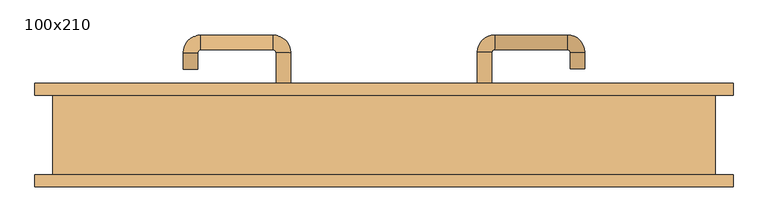
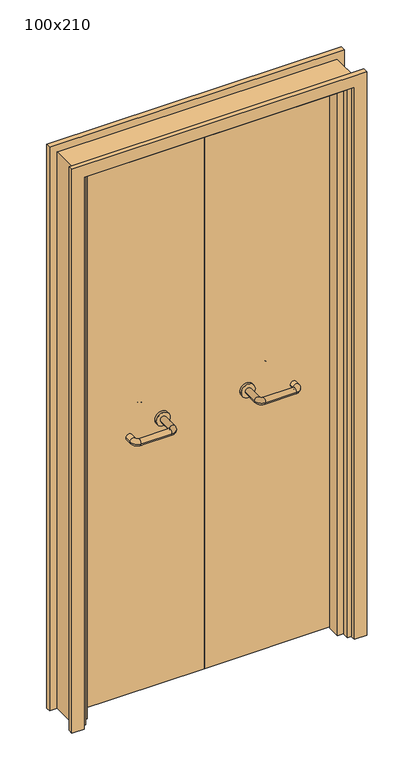
"""IFC4 building model written with IfcOpenShell, lengths in millimetres: door geometry, 100x210."""

import ifcopenshell
import ifcopenshell.guid

model = None  # the IFC model being written
_history = None  # IfcOwnerHistory: only IFC2X3 demands one
_inside = {}  # id of a spatial element -> (the spatial element, [elements in it])
_under = {}  # id of a project, library or spatial element -> (it, [spatial elements below it])
_declared = {}  # id of a project -> (the project, [libraries it declares])
_typed = {}  # id of a type object -> (the type object, [elements of that type])
_made_of = {}  # id of a material, layer set ... -> (it, [elements and type objects made of it])


def new_model(schema):
    """Start an empty IFC model of exactly this schema.

    Asked for "IFC4X3", IfcOpenShell would pick the latest addendum, in which some entities
    have other attributes; the version numbers below select the first issue.
    IFC2X3 requires an IfcOwnerHistory on every rooted entity: one is made here for all.
    """
    global model, _history
    if schema == "IFC4X3":
        model = ifcopenshell.file(schema_version=(4, 3, 0, 0))
    else:
        model = ifcopenshell.file(schema=schema)
    _inside.clear()
    _under.clear()
    _declared.clear()
    _typed.clear()
    _made_of.clear()
    _history = None
    if model.schema == "IFC2X3":
        org = make("IfcOrganization", Name="unknown")
        user = make(
            "IfcPersonAndOrganization",
            ThePerson=make("IfcPerson", FamilyName="unknown"),
            TheOrganization=org,
        )
        app = make(
            "IfcApplication",
            ApplicationDeveloper=org,
            Version="unknown",
            ApplicationFullName="unknown",
            ApplicationIdentifier="unknown",
        )
        _history = make(
            "IfcOwnerHistory",
            OwningUser=user,
            OwningApplication=app,
            ChangeAction="ADDED",
            CreationDate=0,
        )
    return model


def make(cls, **values):
    """One entity of the class cls with the attributes given. An attribute that is None is left unset."""
    return model.create_entity(
        cls, **{name: value for name, value in values.items() if value is not None}
    )


def rooted(cls, **values):
    """An entity with a GlobalId (a new one), such as an element, a storey or a relation."""
    return make(cls, GlobalId=ifcopenshell.guid.new(), OwnerHistory=_history, **values)


def si_unit(unit_type, name, prefix=None):
    """IfcSIUnit, for example si_unit("LENGTHUNIT", "METRE", prefix="MILLI")."""
    return make("IfcSIUnit", UnitType=unit_type, Prefix=prefix, Name=name)


def assignment(units):
    """IfcUnitAssignment: the units of a project."""
    return None if units is None else make("IfcUnitAssignment", Units=units)


def point(xyz):
    """IfcCartesianPoint."""
    return None if xyz is None else make("IfcCartesianPoint", Coordinates=xyz)


def direction(xyz):
    """IfcDirection."""
    return None if xyz is None else make("IfcDirection", DirectionRatios=xyz)


def frame(location, z_axis=None, x_axis=None):
    """IfcAxis2Placement3D, a coordinate frame: its origin and axes. An axis left out is left unset."""
    return make(
        "IfcAxis2Placement3D",
        Location=point(location),
        Axis=direction(z_axis),
        RefDirection=direction(x_axis),
    )


def frame_2d(location, x_axis=None):
    """IfcAxis2Placement2D, a coordinate frame in the plane: its origin and x axis."""
    return make(
        "IfcAxis2Placement2D", Location=point(location), RefDirection=direction(x_axis)
    )


def origin():
    """The frame at (0, 0, 0) with its axes left unset."""
    return frame((0.0, 0.0, 0.0))


def place(relative_to, where):
    """IfcLocalPlacement: puts the frame where relative to a parent placement (None: the world)."""
    return make(
        "IfcLocalPlacement", PlacementRelTo=relative_to, RelativePlacement=where
    )


def context(
    kind, dimensions, precision=None, world=None, true_north=None, identifier=None
):
    """IfcGeometricRepresentationContext, for example the 3D "Model" context."""
    return make(
        "IfcGeometricRepresentationContext",
        ContextIdentifier=identifier,
        ContextType=kind,
        CoordinateSpaceDimension=dimensions,
        Precision=precision,
        WorldCoordinateSystem=world,
        TrueNorth=true_north,
    )


def project(units=None, contexts=None):
    """IfcProject with its units and contexts."""
    return rooted(
        "IfcProject",
        Name="project",
        RepresentationContexts=contexts,
        UnitsInContext=assignment(units),
    )


def spatial(cls, under=None, at=None, **own):
    """A site, building, storey or space (cls), placed at a placement, below another one or the project."""
    s = rooted(cls, ObjectPlacement=at, **own)
    if under is not None:
        _under.setdefault(under.id(), (under, []))[1].append(s)
    return s


def polyline(points):
    """IfcPolyline through the points."""
    return make("IfcPolyline", Points=[point(p) for p in points])


def circle_curve(where, radius):
    """IfcCircle in the frame where."""
    return make("IfcCircle", Position=where, Radius=radius)


def ellipse_curve(where, semi_axis1, semi_axis2):
    """IfcEllipse in the frame where."""
    return make(
        "IfcEllipse", Position=where, SemiAxis1=semi_axis1, SemiAxis2=semi_axis2
    )


def trimmed(basis, trim1, trim2, sense, master):
    """IfcTrimmedCurve: the piece of a basis curve between two trims."""
    return make(
        "IfcTrimmedCurve",
        BasisCurve=basis,
        Trim1=trim1,
        Trim2=trim2,
        SenseAgreement=sense,
        MasterRepresentation=master,
    )


def segment(curve, same_sense, transition):
    """IfcCompositeCurveSegment."""
    return make(
        "IfcCompositeCurveSegment",
        Transition=transition,
        SameSense=same_sense,
        ParentCurve=curve,
    )


def composite_curve(segments, self_intersect=None):
    """IfcCompositeCurve: segments joined end to end."""
    return make("IfcCompositeCurve", Segments=segments, SelfIntersect=self_intersect)


def outline(outer, holes=None, kind="AREA"):
    """IfcArbitraryClosedProfileDef: a profile drawn as a closed curve; with holes, ...WithVoids."""
    if holes is None:
        return make("IfcArbitraryClosedProfileDef", ProfileType=kind, OuterCurve=outer)
    return make(
        "IfcArbitraryProfileDefWithVoids",
        ProfileType=kind,
        OuterCurve=outer,
        InnerCurves=holes,
    )


def extrude(swept, where, along, depth):
    """IfcExtrudedAreaSolid: the profile swept, set in the frame where, extruded along a direction by depth."""
    return make(
        "IfcExtrudedAreaSolid",
        SweptArea=swept,
        Position=where,
        ExtrudedDirection=direction(along),
        Depth=depth,
    )


def faces_of(points, faces, orient=None, outer=None):
    """IfcFace entities. A face is a list of loops; a loop is a list of indices into points, from 0.

    orient and outer hold one flag for each loop. By default every Orientation is true, the
    first loop of a face is its IfcFaceOuterBound and the others are IfcFaceBound.
    """
    made = []
    for i, loops in enumerate(faces):
        bounds = []
        for j, loop in enumerate(loops):
            is_outer = j == 0 if outer is None else outer[i][j]
            bounds.append(
                make(
                    "IfcFaceOuterBound" if is_outer else "IfcFaceBound",
                    Bound=make("IfcPolyLoop", Polygon=[points[k] for k in loop]),
                    Orientation=True if orient is None else orient[i][j],
                )
            )
        made.append(make("IfcFace", Bounds=bounds))
    return made


def faceted_brep(points, faces, orient=None, outer=None, voids=None):
    """IfcFacetedBrep: a solid bounded by flat faces; with voids (closed shells), ...WithVoids."""
    shared = [point(p) for p in points]
    hull = make("IfcClosedShell", CfsFaces=faces_of(shared, faces, orient, outer))
    if voids is None:
        return make("IfcFacetedBrep", Outer=hull)
    return make(
        "IfcFacetedBrepWithVoids",
        Outer=hull,
        Voids=[
            make(cls, CfsFaces=faces_of(shared, fs, o, b)) for cls, fs, o, b in voids
        ],
    )


def shape(context_of_items, identifier, shape_type, items):
    """IfcShapeRepresentation: the items that make up one representation, for example the "Body"."""
    return make(
        "IfcShapeRepresentation",
        ContextOfItems=context_of_items,
        RepresentationIdentifier=identifier,
        RepresentationType=shape_type,
        Items=items,
    )


def source(mapping_origin, context_of_items, identifier, shape_type, items):
    """IfcRepresentationMap: a shape defined once, which mapped items show again and again."""
    return make(
        "IfcRepresentationMap",
        MappingOrigin=mapping_origin,
        MappedRepresentation=shape(context_of_items, identifier, shape_type, items),
    )


def transform(
    local_origin,
    x_axis=None,
    y_axis=None,
    z_axis=None,
    scale=None,
    scale2=None,
    scale3=None,
    uniform=True,
):
    """IfcCartesianTransformationOperator3D, or its non-uniform kind. x_axis, y_axis, z_axis: its Axis1, 2, 3."""
    if uniform:
        return make(
            "IfcCartesianTransformationOperator3D",
            Axis1=direction(x_axis),
            Axis2=direction(y_axis),
            LocalOrigin=point(local_origin),
            Scale=scale,
            Axis3=direction(z_axis),
        )
    return make(
        "IfcCartesianTransformationOperator3DnonUniform",
        Axis1=direction(x_axis),
        Axis2=direction(y_axis),
        LocalOrigin=point(local_origin),
        Scale=scale,
        Axis3=direction(z_axis),
        Scale2=scale2,
        Scale3=scale3,
    )


def mapped(mapping_source, mapping_target):
    """IfcMappedItem: shows the shape of a source again, moved by a transform."""
    return make(
        "IfcMappedItem", MappingSource=mapping_source, MappingTarget=mapping_target
    )


def made_of(thing, what):
    """Note that an element or type object is made of a material, layer set ...; save() writes the relation."""
    if what is not None:
        _made_of.setdefault(what.id(), (what, []))[1].append(thing)
    return thing


def element(
    cls,
    number,
    at=None,
    inside=None,
    cuts=None,
    type_object=None,
    material=None,
    context=None,
    identifier="Body",
    shape_type=None,
    held_by="IfcProductDefinitionShape",
    body=None,
    shapes=None,
    **own,
):
    """One element of the class cls, such as IfcWall. Its Tag is "e" and its number.

    at: its placement. inside: the storey or other place that contains it. cuts: it is an
    opening in that element (IfcRelVoidsElement). A single representation is given by context,
    identifier, shape_type and body (its items); several are given by shapes. held_by: the class
    of the entity that holds the representations. save() writes the other relations.
    """
    e = rooted(cls, Tag="e%d" % number, ObjectPlacement=at, **own)
    if body is not None:
        shapes = [shape(context, identifier, shape_type, body)]
    if shapes is not None:
        e.Representation = make(held_by, Representations=shapes)
    if inside is not None:
        _inside.setdefault(inside.id(), (inside, []))[1].append(e)
    if cuts is not None:
        rooted(
            "IfcRelVoidsElement", RelatingBuildingElement=cuts, RelatedOpeningElement=e
        )
    if type_object is not None:
        _typed.setdefault(type_object.id(), (type_object, []))[1].append(e)
    return made_of(e, material)


def aggregate(whole, parts):
    """IfcRelAggregates: a whole, such as a stair, and the parts it consists of."""
    return rooted("IfcRelAggregates", RelatingObject=whole, RelatedObjects=parts)


def save(model, path):
    """Write the relations noted so far, then the file.

    IfcRelAggregates (storeys below a building ...), IfcRelContainedInSpatialStructure (elements
    in a storey), IfcRelDefinesByType, IfcRelAssociatesMaterial and IfcRelDeclares: one each for
    every whole, place, type object, material and project.
    """
    for whole, parts in _under.values():
        aggregate(whole, parts)
    for where, things in _inside.values():
        rooted(
            "IfcRelContainedInSpatialStructure",
            RelatedElements=things,
            RelatingStructure=where,
        )
    for kind, things in _typed.values():
        rooted("IfcRelDefinesByType", RelatedObjects=things, RelatingType=kind)
    for what, things in _made_of.values():
        rooted("IfcRelAssociatesMaterial", RelatedObjects=things, RelatingMaterial=what)
    for by, libraries in _declared.values():
        rooted("IfcRelDeclares", RelatingContext=by, RelatedDefinitions=libraries)
    model.write(path)


def plane_surface(at):
    """IfcPlane: the flat surface through the origin of the frame at, square to its z axis."""
    return make("IfcPlane", Position=at)


def cylinder_surface(at, radius):
    """IfcCylindricalSurface: all points at the distance radius from the z axis of the frame at."""
    return make("IfcCylindricalSurface", Position=at, Radius=radius)


def revolved_surface(curve, axis_point, axis_direction):
    """IfcSurfaceOfRevolution: the curve turned about the line through axis_point along axis_direction."""
    return make(
        "IfcSurfaceOfRevolution",
        SweptCurve=make("IfcArbitraryOpenProfileDef", ProfileType="CURVE", Curve=curve),
        AxisPosition=make("IfcAxis1Placement", Location=point(axis_point), Axis=direction(axis_direction)),
    )


def advanced_brep(points, edges, surfaces, faces):
    """IfcAdvancedBrep: a solid bounded by faces that lie on surfaces and meet in shared edges.

    An edge is (start, end): straight between two places in points (the first is 0);
    or (start, end, curve); or (start, end, curve, False) where it runs against its curve.
    A face is (place in surfaces, loops), or (place, loops, False) where it looks against
    its surface's normal. A loop lists edges by number (the first is 1), with a minus sign
    where the edge is run from its end to its start. The first loop is the outer one.
    """
    corners = [point(p) for p in points]
    vertices = [make("IfcVertexPoint", VertexGeometry=c) for c in corners]
    made = []
    for start, end, *more in edges:
        made.append(
            make(
                "IfcEdgeCurve",
                EdgeStart=vertices[start],
                EdgeEnd=vertices[end],
                EdgeGeometry=more[0] if more else make("IfcPolyline", Points=[corners[start], corners[end]]),
                SameSense=more[1] if len(more) > 1 else True,
            )
        )
    hull = []
    for where, loops, *sense in faces:
        bounds = []
        for j, loop in enumerate(loops):
            ring = [make("IfcOrientedEdge", EdgeElement=made[abs(k) - 1], Orientation=k > 0) for k in loop]
            bounds.append(
                make(
                    "IfcFaceOuterBound" if j == 0 else "IfcFaceBound",
                    Bound=make("IfcEdgeLoop", EdgeList=ring),
                    Orientation=True,
                )
            )
        hull.append(make("IfcAdvancedFace", Bounds=bounds, FaceSurface=surfaces[where], SameSense=sense[0] if sense else True))
    return make("IfcAdvancedBrep", Outer=make("IfcClosedShell", CfsFaces=hull))


def door_100x210_290194a9(model_context):
    return source(origin(), model_context, "Body", "SolidModel", [
        faceted_brep([(-447.0, 13.0, 0.0), (-447.0, -35.0, 0.0), (-468.0, -35.0, 0.0), (-468.0, 13.0, 0.0), (-447.0, 13.0, 2047.0), (-447.0, -35.0, 2047.0), (-468.0, -35.0, 2068.0), (-468.0, 13.0, 2068.0), (447.0, 13.0, 0.0), (468.0, 13.0, 0.0), (468.0, -35.0, 0.0), (447.0, -35.0, 0.0), (447.0, 13.0, 2047.0), (468.0, 13.0, 2068.0), (468.0, -35.0, 2068.0), (447.0, -35.0, 2047.0)], [[[0, 1, 2, 3]], [[1, 0, 4, 5]], [[2, 1, 5, 6]], [[3, 2, 6, 7]], [[0, 3, 7, 4]], [[8, 9, 10, 11]], [[12, 13, 9, 8]], [[13, 14, 10, 9]], [[14, 15, 11, 10]], [[15, 12, 8, 11]], [[5, 4, 12, 15]], [[6, 5, 15, 14]], [[7, 6, 14, 13]], [[4, 7, 13, 12]]]),
        extrude(outline(polyline([(2127.0, 527.0), (2127.0, -527.0), (0.0, -527.0), (0.0, -483.0), (2083.0, -483.0), (2083.0, 483.0), (0.0, 483.0), (0.0, 527.0), (2127.0, 527.0)])), frame((0.0, 60.0, 0.0), z_axis=(0.0, 1.0, 0.0), x_axis=(0.0, 0.0, 1.0)), (0.0, 0.0, 1.0), 18.0),
        extrude(outline(polyline([(2127.0, -527.0), (0.0, -527.0), (0.0, -483.0), (2083.0, -483.0), (2083.0, 483.0), (0.0, 483.0), (0.0, 527.0), (2127.0, 527.0), (2127.0, -527.0)])), frame((0.0, -78.0, 0.0), z_axis=(0.0, 1.0, 0.0), x_axis=(0.0, 0.0, 1.0)), (0.0, 0.0, 1.0), 18.0),
        extrude(outline(polyline([(2100.0, -500.0), (0.0, -500.0), (0.0, -468.0), (2068.0, -468.0), (2068.0, 468.0), (0.0, 468.0), (0.0, 500.0), (2100.0, 500.0), (2100.0, -500.0)])), frame((0.0, -60.0, 0.0), z_axis=(0.0, 1.0, 0.0), x_axis=(0.0, 0.0, 1.0)), (0.0, 0.0, 1.0), 120.0),
        extrude(outline(polyline([(1.0739506, 16.0), (-465.0, 16.0), (-465.0, 60.0), (1.0739506, 60.0), (1.0739506, 16.0)])), frame((0.0, 0.0, 1.753223), z_axis=(0.0, 0.0, 1.0), x_axis=(1.0, 0.0, 0.0)), (0.0, 0.0, 1.0), 2057.246777),
        extrude(outline(polyline([(465.0, 16.0), (1.0739506, 16.0), (1.0739506, 60.0), (465.0, 60.0), (465.0, 16.0)])), frame((0.0, 0.0, 1.753223), z_axis=(0.0, 0.0, 1.0), x_axis=(1.0, 0.0, 0.0)), (0.0, 0.0, 1.0), 2066.246777),
        extrude(outline(polyline([(2100.0, -500.0), (0.0, -500.0), (0.0, -468.0), (2068.0, -468.0), (2068.0, 468.0), (0.0, 468.0), (0.0, 500.0), (2100.0, 500.0), (2100.0, -500.0)])), frame((0.0, -60.0, 0.0), z_axis=(0.0, 1.0, 0.0), x_axis=(0.0, 0.0, 1.0)), (0.0, 0.0, 1.0), 120.0),
        advanced_brep(
        [(140.99898, 6.0, 1003.0), (162.99898, 6.0, 1003.0), (140.99898, -49.3525369, 1003.0), (162.99898, -49.3525369, 1003.0), (166.99898, -53.3525369, 1003.0), (166.99898, -75.3525369, 1003.0), (276.99898, -75.3525369, 1003.0), (276.99898, -53.3525369, 1003.0), (280.99898, -49.3525369, 1003.0), (302.99898, -49.3525369, 1003.0), (302.99898, -32.0, 1003.0), (280.99898, -32.0, 1003.0)],
        [
            (0, 1, circle_curve(frame((151.99898, 6.0, 1003.0), z_axis=(0.0, 1.0, 0.0), x_axis=(1.0, 0.0, 0.0)), 11.0)),
            (1, 0, circle_curve(frame((151.99898, 6.0, 1003.0), z_axis=(0.0, 1.0, 0.0), x_axis=(1.0, 0.0, 0.0)), 11.0)),
            (0, 2),
            (2, 3, circle_curve(frame((151.99898, -49.3525369, 1003.0), z_axis=(0.0, 1.0, 0.0), x_axis=(1.0, 0.0, 0.0)), 11.0)),
            (3, 1),
            (3, 2, circle_curve(frame((151.99898, -49.3525369, 1003.0), z_axis=(0.0, 1.0, 0.0), x_axis=(1.0, 0.0, 0.0)), 11.0)),
            (4, 3, circle_curve(frame((166.99898, -49.3525369, 1003.0), z_axis=(0.0, 0.0, -1.0), x_axis=(-1.0, 0.0, 0.0)), 4.0)),
            (2, 5, circle_curve(frame((166.99898, -49.3525369, 1003.0), z_axis=(0.0, 0.0, 1.0), x_axis=(-1.0, 0.0, 0.0)), 26.0)),
            (5, 4, circle_curve(frame((166.99898, -64.3525369, 1003.0), z_axis=(-1.0, 0.0, 0.0), x_axis=(0.0, 1.0, 0.0)), 11.0)),
            (4, 5, circle_curve(frame((166.99898, -64.3525369, 1003.0), z_axis=(-1.0, 0.0, 0.0), x_axis=(0.0, 1.0, 0.0)), 11.0)),
            (5, 6),
            (6, 7, circle_curve(frame((276.99898, -64.3525369, 1003.0), z_axis=(-1.0, 0.0, 0.0), x_axis=(0.0, 1.0, 0.0)), 11.0)),
            (7, 4),
            (7, 6, circle_curve(frame((276.99898, -64.3525369, 1003.0), z_axis=(-1.0, 0.0, 0.0), x_axis=(0.0, 1.0, 0.0)), 11.0)),
            (8, 7, circle_curve(frame((276.99898, -49.3525369, 1003.0), z_axis=(0.0, 0.0, -1.0), x_axis=(0.0, -1.0, 0.0)), 4.0)),
            (6, 9, circle_curve(frame((276.99898, -49.3525369, 1003.0), z_axis=(0.0, 0.0, 1.0), x_axis=(0.0, -1.0, 0.0)), 26.0)),
            (9, 8, circle_curve(frame((291.99898, -49.3525369, 1003.0), z_axis=(0.0, -1.0, 0.0), x_axis=(-1.0, 0.0, 0.0)), 11.0)),
            (8, 9, circle_curve(frame((291.99898, -49.3525369, 1003.0), z_axis=(0.0, -1.0, 0.0), x_axis=(-1.0, 0.0, 0.0)), 11.0)),
            (10, 11, circle_curve(frame((291.99898, -32.0, 1003.0), z_axis=(0.0, 1.0, 0.0), x_axis=(-1.0, 0.0, 0.0)), 11.0)),
            (11, 10, circle_curve(frame((291.99898, -32.0, 1003.0), z_axis=(0.0, 1.0, 0.0), x_axis=(-1.0, 0.0, 0.0)), 11.0)),
            (9, 10),
            (11, 8),
        ],
        [
            plane_surface(frame((140.99898, 6.0, 1003.0), z_axis=(0.0, 1.0, 0.0), x_axis=(0.0, 0.0, -1.0))),
            cylinder_surface(frame((151.99898, 6.0, 1003.0), z_axis=(0.0, 1.0, 0.0), x_axis=(1.0, 0.0, 0.0)), 11.0),
            revolved_surface(trimmed(ellipse_curve(frame((151.99898, -49.3525369, 1003.0), z_axis=(0.0, 1.0, 0.0), x_axis=(1.0, 0.0, 0.0)), 11.0, 11.0), [point((140.99898, -49.3525369, 1003.0))], [point((162.99898, -49.3525369, 1003.0))], True, "CARTESIAN"), (166.99898, -49.3525369, 1003.0), (0.0, 0.0, 1.0)),
            revolved_surface(trimmed(ellipse_curve(frame((151.99898, -49.3525369, 1003.0), z_axis=(0.0, 1.0, 0.0), x_axis=(1.0, 0.0, 0.0)), 11.0, 11.0), [point((162.99898, -49.3525369, 1003.0))], [point((140.99898, -49.3525369, 1003.0))], True, "CARTESIAN"), (166.99898, -49.3525369, 1003.0), (0.0, 0.0, 1.0)),
            cylinder_surface(frame((166.99898, -64.3525369, 1003.0), z_axis=(-1.0, 0.0, 0.0), x_axis=(0.0, 1.0, 0.0)), 11.0),
            revolved_surface(trimmed(ellipse_curve(frame((276.99898, -64.3525369, 1003.0), z_axis=(-1.0, 0.0, 0.0), x_axis=(0.0, 1.0, 0.0)), 11.0, 11.0), [point((276.99898, -75.3525369, 1003.0))], [point((276.99898, -53.3525369, 1003.0))], True, "CARTESIAN"), (276.99898, -49.3525369, 1003.0), (0.0, 0.0, 1.0)),
            revolved_surface(trimmed(ellipse_curve(frame((276.99898, -64.3525369, 1003.0), z_axis=(-1.0, 0.0, 0.0), x_axis=(0.0, 1.0, 0.0)), 11.0, 11.0), [point((276.99898, -53.3525369, 1003.0))], [point((276.99898, -75.3525369, 1003.0))], True, "CARTESIAN"), (276.99898, -49.3525369, 1003.0), (0.0, 0.0, 1.0)),
            plane_surface(frame((280.99898, -32.0, 1003.0), z_axis=(0.0, 1.0, 0.0), x_axis=(0.0, 0.0, 1.0))),
            cylinder_surface(frame((291.99898, -49.3525369, 1003.0), z_axis=(0.0, -1.0, 0.0), x_axis=(-1.0, 0.0, 0.0)), 11.0),
        ],
        [
            (0, [[1, 2]]),
            (1, [[-1, 3, 4, 5]]),
            (1, [[-2, -5, 6, -3]]),
            (2, [[7, -4, 8, 9]]),
            (3, [[-8, -6, -7, 10]]),
            (4, [[-9, 11, 12, 13]]),
            (4, [[-10, -13, 14, -11]]),
            (5, [[15, -12, 16, 17]]),
            (6, [[-16, -14, -15, 18]]),
            (7, [[19, 20]]),
            (8, [[-17, 21, -20, 22]]),
            (8, [[-18, -22, -19, -21]]),
        ],
    ),
        extrude(outline(composite_curve([segment(trimmed(circle_curve(frame_2d((1003.0, 151.99898)), 25.0), [point((1003.0, 126.99898))], [point((1003.0, 176.99898))], False, "CARTESIAN"), True, "CONTINUOUS"), segment(trimmed(circle_curve(frame_2d((1003.0, 151.99898)), 25.0), [point((1003.0, 176.99898))], [point((1003.0, 126.99898))], False, "CARTESIAN"), True, "CONTINUOUS")], self_intersect=False)), frame((0.0, 6.0, 0.0), z_axis=(0.0, 1.0, 0.0), x_axis=(0.0, 0.0, 1.0)), (0.0, 0.0, 1.0), 10.0),
        advanced_brep(
        [(162.99898, 70.0, 1003.0), (140.99898, 70.0, 1003.0), (162.99898, 125.0, 1003.0), (140.99898, 125.0, 1003.0), (166.99898, 151.0, 1003.0), (166.99898, 129.0, 1003.0), (276.99898, 129.0, 1003.0), (276.99898, 151.0, 1003.0), (302.99898, 125.0, 1003.0), (280.99898, 125.0, 1003.0), (280.99898, 100.0, 1003.0), (302.99898, 100.0, 1003.0)],
        [
            (0, 1, circle_curve(frame((151.99898, 70.0, 1003.0), z_axis=(0.0, -1.0, 0.0), x_axis=(-1.0, 0.0, 0.0)), 11.0)),
            (1, 0, circle_curve(frame((151.99898, 70.0, 1003.0), z_axis=(0.0, -1.0, 0.0), x_axis=(-1.0, 0.0, 0.0)), 11.0)),
            (0, 2),
            (2, 3, circle_curve(frame((151.99898, 125.0, 1003.0), z_axis=(0.0, -1.0, 0.0), x_axis=(-1.0, 0.0, 0.0)), 11.0)),
            (3, 1),
            (3, 2, circle_curve(frame((151.99898, 125.0, 1003.0), z_axis=(0.0, -1.0, 0.0), x_axis=(-1.0, 0.0, 0.0)), 11.0)),
            (4, 3, circle_curve(frame((166.99898, 125.0, 1003.0), z_axis=(0.0, 0.0, 1.0), x_axis=(-1.0, 0.0, 0.0)), 26.0)),
            (2, 5, circle_curve(frame((166.99898, 125.0, 1003.0), z_axis=(0.0, 0.0, -1.0), x_axis=(-1.0, 0.0, 0.0)), 4.0)),
            (5, 4, circle_curve(frame((166.99898, 140.0, 1003.0), z_axis=(-1.0, 0.0, 0.0), x_axis=(0.0, 1.0, 0.0)), 11.0)),
            (4, 5, circle_curve(frame((166.99898, 140.0, 1003.0), z_axis=(-1.0, 0.0, 0.0), x_axis=(0.0, 1.0, 0.0)), 11.0)),
            (5, 6),
            (6, 7, circle_curve(frame((276.99898, 140.0, 1003.0), z_axis=(-1.0, 0.0, 0.0), x_axis=(0.0, 1.0, 0.0)), 11.0)),
            (7, 4),
            (7, 6, circle_curve(frame((276.99898, 140.0, 1003.0), z_axis=(-1.0, 0.0, 0.0), x_axis=(0.0, 1.0, 0.0)), 11.0)),
            (8, 7, circle_curve(frame((276.99898, 125.0, 1003.0), z_axis=(0.0, 0.0, 1.0), x_axis=(0.0, 1.0, 0.0)), 26.0)),
            (6, 9, circle_curve(frame((276.99898, 125.0, 1003.0), z_axis=(0.0, 0.0, -1.0), x_axis=(0.0, 1.0, 0.0)), 4.0)),
            (9, 8, circle_curve(frame((291.99898, 125.0, 1003.0), z_axis=(0.0, 1.0, 0.0), x_axis=(1.0, 0.0, 0.0)), 11.0)),
            (8, 9, circle_curve(frame((291.99898, 125.0, 1003.0), z_axis=(0.0, 1.0, 0.0), x_axis=(1.0, 0.0, 0.0)), 11.0)),
            (10, 11, circle_curve(frame((291.99898, 100.0, 1003.0), z_axis=(0.0, -1.0, 0.0), x_axis=(1.0, 0.0, 0.0)), 11.0)),
            (11, 10, circle_curve(frame((291.99898, 100.0, 1003.0), z_axis=(0.0, -1.0, 0.0), x_axis=(1.0, 0.0, 0.0)), 11.0)),
            (9, 10),
            (11, 8),
        ],
        [
            plane_surface(frame((140.99898, 70.0, 1003.0), z_axis=(0.0, -1.0, 0.0), x_axis=(0.0, 0.0, 1.0))),
            cylinder_surface(frame((151.99898, 70.0, 1003.0), z_axis=(0.0, -1.0, 0.0), x_axis=(-1.0, 0.0, 0.0)), 11.0),
            revolved_surface(trimmed(ellipse_curve(frame((151.99898, 125.0, 1003.0), z_axis=(0.0, -1.0, 0.0), x_axis=(-1.0, 0.0, 0.0)), 11.0, 11.0), [point((162.99898, 125.0, 1003.0))], [point((140.99898, 125.0, 1003.0))], True, "CARTESIAN"), (166.99898, 125.0, 1003.0), (0.0, 0.0, -1.0)),
            revolved_surface(trimmed(ellipse_curve(frame((151.99898, 125.0, 1003.0), z_axis=(0.0, -1.0, 0.0), x_axis=(-1.0, 0.0, 0.0)), 11.0, 11.0), [point((140.99898, 125.0, 1003.0))], [point((162.99898, 125.0, 1003.0))], True, "CARTESIAN"), (166.99898, 125.0, 1003.0), (0.0, 0.0, -1.0)),
            cylinder_surface(frame((166.99898, 140.0, 1003.0), z_axis=(-1.0, 0.0, 0.0), x_axis=(0.0, 1.0, 0.0)), 11.0),
            revolved_surface(trimmed(ellipse_curve(frame((276.99898, 140.0, 1003.0), z_axis=(-1.0, 0.0, 0.0), x_axis=(0.0, 1.0, 0.0)), 11.0, 11.0), [point((276.99898, 129.0, 1003.0))], [point((276.99898, 151.0, 1003.0))], True, "CARTESIAN"), (276.99898, 125.0, 1003.0), (0.0, 0.0, -1.0)),
            revolved_surface(trimmed(ellipse_curve(frame((276.99898, 140.0, 1003.0), z_axis=(-1.0, 0.0, 0.0), x_axis=(0.0, 1.0, 0.0)), 11.0, 11.0), [point((276.99898, 151.0, 1003.0))], [point((276.99898, 129.0, 1003.0))], True, "CARTESIAN"), (276.99898, 125.0, 1003.0), (0.0, 0.0, -1.0)),
            plane_surface(frame((280.99898, 100.0, 1003.0), z_axis=(0.0, -1.0, 0.0), x_axis=(0.0, 0.0, -1.0))),
            cylinder_surface(frame((291.99898, 125.0, 1003.0), z_axis=(0.0, 1.0, 0.0), x_axis=(1.0, 0.0, 0.0)), 11.0),
        ],
        [
            (0, [[1, 2]]),
            (1, [[-1, 3, 4, 5]]),
            (1, [[-2, -5, 6, -3]]),
            (2, [[7, -4, 8, 9]]),
            (3, [[-8, -6, -7, 10]]),
            (4, [[-9, 11, 12, 13]]),
            (4, [[-10, -13, 14, -11]]),
            (5, [[15, -12, 16, 17]]),
            (6, [[-16, -14, -15, 18]]),
            (7, [[19, 20]]),
            (8, [[-17, 21, -20, 22]]),
            (8, [[-18, -22, -19, -21]]),
        ],
    ),
        extrude(outline(composite_curve([segment(trimmed(circle_curve(frame_2d((1003.0, 151.99898)), 25.0), [point((1003.0, 176.99898))], [point((1003.0, 126.99898))], False, "CARTESIAN"), True, "CONTINUOUS"), segment(trimmed(circle_curve(frame_2d((1003.0, 151.99898)), 25.0), [point((1003.0, 126.99898))], [point((1003.0, 176.99898))], False, "CARTESIAN"), True, "CONTINUOUS")], self_intersect=False)), frame((0.0, 60.0, 0.0), z_axis=(0.0, 1.0, 0.0), x_axis=(0.0, 0.0, 1.0)), (0.0, 0.0, 1.0), 10.0),
        advanced_brep(
        [(-162.99898, 5.6886121, 1003.0), (-140.99898, 5.6886121, 1003.0), (-162.99898, -49.7220447, 1003.0), (-140.99898, -49.7220447, 1003.0), (-166.99898, -75.7220447, 1003.0), (-166.99898, -53.7220447, 1003.0), (-276.99898, -53.7220447, 1003.0), (-276.99898, -75.7220447, 1003.0), (-302.99898, -49.7220447, 1003.0), (-280.99898, -49.7220447, 1003.0), (-280.99898, -24.7220447, 1003.0), (-302.99898, -24.7220447, 1003.0)],
        [
            (0, 1, circle_curve(frame((-151.99898, 5.6886121, 1003.0), z_axis=(0.0, 1.0, 0.0), x_axis=(1.0, 0.0, 0.0)), 11.0)),
            (1, 0, circle_curve(frame((-151.99898, 5.6886121, 1003.0), z_axis=(0.0, 1.0, 0.0), x_axis=(1.0, 0.0, 0.0)), 11.0)),
            (0, 2),
            (2, 3, circle_curve(frame((-151.99898, -49.7220447, 1003.0), z_axis=(0.0, 1.0, 0.0), x_axis=(1.0, 0.0, 0.0)), 11.0)),
            (3, 1),
            (3, 2, circle_curve(frame((-151.99898, -49.7220447, 1003.0), z_axis=(0.0, 1.0, 0.0), x_axis=(1.0, 0.0, 0.0)), 11.0)),
            (4, 3, circle_curve(frame((-166.99898, -49.7220447, 1003.0), z_axis=(0.0, 0.0, 1.0), x_axis=(1.0, 0.0, 0.0)), 26.0)),
            (2, 5, circle_curve(frame((-166.99898, -49.7220447, 1003.0), z_axis=(0.0, 0.0, -1.0), x_axis=(1.0, 0.0, 0.0)), 4.0)),
            (5, 4, circle_curve(frame((-166.99898, -64.7220447, 1003.0), z_axis=(1.0, 0.0, 0.0), x_axis=(0.0, -1.0, 0.0)), 11.0)),
            (4, 5, circle_curve(frame((-166.99898, -64.7220447, 1003.0), z_axis=(1.0, 0.0, 0.0), x_axis=(0.0, -1.0, 0.0)), 11.0)),
            (5, 6),
            (6, 7, circle_curve(frame((-276.99898, -64.7220447, 1003.0), z_axis=(1.0, 0.0, 0.0), x_axis=(0.0, -1.0, 0.0)), 11.0)),
            (7, 4),
            (7, 6, circle_curve(frame((-276.99898, -64.7220447, 1003.0), z_axis=(1.0, 0.0, 0.0), x_axis=(0.0, -1.0, 0.0)), 11.0)),
            (8, 7, circle_curve(frame((-276.99898, -49.7220447, 1003.0), z_axis=(0.0, 0.0, 1.0), x_axis=(0.0, -1.0, 0.0)), 26.0)),
            (6, 9, circle_curve(frame((-276.99898, -49.7220447, 1003.0), z_axis=(0.0, 0.0, -1.0), x_axis=(0.0, -1.0, 0.0)), 4.0)),
            (9, 8, circle_curve(frame((-291.99898, -49.7220447, 1003.0), z_axis=(0.0, -1.0, 0.0), x_axis=(-1.0, 0.0, 0.0)), 11.0)),
            (8, 9, circle_curve(frame((-291.99898, -49.7220447, 1003.0), z_axis=(0.0, -1.0, 0.0), x_axis=(-1.0, 0.0, 0.0)), 11.0)),
            (10, 11, circle_curve(frame((-291.99898, -24.7220447, 1003.0), z_axis=(0.0, 1.0, 0.0), x_axis=(-1.0, 0.0, 0.0)), 11.0)),
            (11, 10, circle_curve(frame((-291.99898, -24.7220447, 1003.0), z_axis=(0.0, 1.0, 0.0), x_axis=(-1.0, 0.0, 0.0)), 11.0)),
            (9, 10),
            (11, 8),
        ],
        [
            plane_surface(frame((-162.99898, 5.6886121, 1003.0), z_axis=(0.0, 1.0, 0.0), x_axis=(0.0, 0.0, -1.0))),
            cylinder_surface(frame((-151.99898, 5.6886121, 1003.0), z_axis=(0.0, 1.0, 0.0), x_axis=(1.0, 0.0, 0.0)), 11.0),
            revolved_surface(trimmed(ellipse_curve(frame((-151.99898, -49.7220447, 1003.0), z_axis=(0.0, 1.0, 0.0), x_axis=(1.0, 0.0, 0.0)), 11.0, 11.0), [point((-162.99898, -49.7220447, 1003.0))], [point((-140.99898, -49.7220447, 1003.0))], True, "CARTESIAN"), (-166.99898, -49.7220447, 1003.0), (0.0, 0.0, -1.0)),
            revolved_surface(trimmed(ellipse_curve(frame((-151.99898, -49.7220447, 1003.0), z_axis=(0.0, 1.0, 0.0), x_axis=(1.0, 0.0, 0.0)), 11.0, 11.0), [point((-140.99898, -49.7220447, 1003.0))], [point((-162.99898, -49.7220447, 1003.0))], True, "CARTESIAN"), (-166.99898, -49.7220447, 1003.0), (0.0, 0.0, -1.0)),
            cylinder_surface(frame((-166.99898, -64.7220447, 1003.0), z_axis=(1.0, 0.0, 0.0), x_axis=(0.0, -1.0, 0.0)), 11.0),
            revolved_surface(trimmed(ellipse_curve(frame((-276.99898, -64.7220447, 1003.0), z_axis=(1.0, 0.0, 0.0), x_axis=(0.0, -1.0, 0.0)), 11.0, 11.0), [point((-276.99898, -53.7220447, 1003.0))], [point((-276.99898, -75.7220447, 1003.0))], True, "CARTESIAN"), (-276.99898, -49.7220447, 1003.0), (0.0, 0.0, -1.0)),
            revolved_surface(trimmed(ellipse_curve(frame((-276.99898, -64.7220447, 1003.0), z_axis=(1.0, 0.0, 0.0), x_axis=(0.0, -1.0, 0.0)), 11.0, 11.0), [point((-276.99898, -75.7220447, 1003.0))], [point((-276.99898, -53.7220447, 1003.0))], True, "CARTESIAN"), (-276.99898, -49.7220447, 1003.0), (0.0, 0.0, -1.0)),
            plane_surface(frame((-302.99898, -24.7220447, 1003.0), z_axis=(0.0, 1.0, 0.0), x_axis=(0.0, 0.0, 1.0))),
            cylinder_surface(frame((-291.99898, -49.7220447, 1003.0), z_axis=(0.0, -1.0, 0.0), x_axis=(-1.0, 0.0, 0.0)), 11.0),
        ],
        [
            (0, [[1, 2]]),
            (1, [[-1, 3, 4, 5]]),
            (1, [[-2, -5, 6, -3]]),
            (2, [[7, -4, 8, 9]]),
            (3, [[-8, -6, -7, 10]]),
            (4, [[-9, 11, 12, 13]]),
            (4, [[-10, -13, 14, -11]]),
            (5, [[15, -12, 16, 17]]),
            (6, [[-16, -14, -15, 18]]),
            (7, [[19, 20]]),
            (8, [[-17, 21, -20, 22]]),
            (8, [[-18, -22, -19, -21]]),
        ],
    ),
        extrude(outline(composite_curve([segment(trimmed(circle_curve(frame_2d((1003.0, -151.99898)), 25.0), [point((1003.0, -176.99898))], [point((1003.0, -126.99898))], False, "CARTESIAN"), True, "CONTINUOUS"), segment(trimmed(circle_curve(frame_2d((1003.0, -151.99898)), 25.0), [point((1003.0, -126.99898))], [point((1003.0, -176.99898))], False, "CARTESIAN"), True, "CONTINUOUS")], self_intersect=False)), frame((0.0, 5.6886121, 0.0), z_axis=(0.0, 1.0, 0.0), x_axis=(0.0, 0.0, 1.0)), (0.0, 0.0, 1.0), 10.3113879),
        advanced_brep(
        [(-140.99898, 69.5143417, 1003.0), (-162.99898, 69.5143417, 1003.0), (-140.99898, 124.6104656, 1003.0), (-162.99898, 124.6104656, 1003.0), (-166.99898, 128.6104656, 1003.0), (-166.99898, 150.6104656, 1003.0), (-276.99898, 150.6104656, 1003.0), (-276.99898, 128.6104656, 1003.0), (-280.99898, 124.6104656, 1003.0), (-302.99898, 124.6104656, 1003.0), (-302.99898, 99.6104656, 1003.0), (-280.99898, 99.6104656, 1003.0)],
        [
            (0, 1, circle_curve(frame((-151.99898, 69.5143417, 1003.0), z_axis=(0.0, -1.0, 0.0), x_axis=(-1.0, 0.0, 0.0)), 11.0)),
            (1, 0, circle_curve(frame((-151.99898, 69.5143417, 1003.0), z_axis=(0.0, -1.0, 0.0), x_axis=(-1.0, 0.0, 0.0)), 11.0)),
            (0, 2),
            (2, 3, circle_curve(frame((-151.99898, 124.6104656, 1003.0), z_axis=(0.0, -1.0, 0.0), x_axis=(-1.0, 0.0, 0.0)), 11.0)),
            (3, 1),
            (3, 2, circle_curve(frame((-151.99898, 124.6104656, 1003.0), z_axis=(0.0, -1.0, 0.0), x_axis=(-1.0, 0.0, 0.0)), 11.0)),
            (4, 3, circle_curve(frame((-166.99898, 124.6104656, 1003.0), z_axis=(0.0, 0.0, -1.0), x_axis=(1.0, 0.0, 0.0)), 4.0)),
            (2, 5, circle_curve(frame((-166.99898, 124.6104656, 1003.0), z_axis=(0.0, 0.0, 1.0), x_axis=(1.0, 0.0, 0.0)), 26.0)),
            (5, 4, circle_curve(frame((-166.99898, 139.6104656, 1003.0), z_axis=(1.0, 0.0, 0.0), x_axis=(0.0, -1.0, 0.0)), 11.0)),
            (4, 5, circle_curve(frame((-166.99898, 139.6104656, 1003.0), z_axis=(1.0, 0.0, 0.0), x_axis=(0.0, -1.0, 0.0)), 11.0)),
            (5, 6),
            (6, 7, circle_curve(frame((-276.99898, 139.6104656, 1003.0), z_axis=(1.0, 0.0, 0.0), x_axis=(0.0, -1.0, 0.0)), 11.0)),
            (7, 4),
            (7, 6, circle_curve(frame((-276.99898, 139.6104656, 1003.0), z_axis=(1.0, 0.0, 0.0), x_axis=(0.0, -1.0, 0.0)), 11.0)),
            (8, 7, circle_curve(frame((-276.99898, 124.6104656, 1003.0), z_axis=(0.0, 0.0, -1.0), x_axis=(0.0, 1.0, 0.0)), 4.0)),
            (6, 9, circle_curve(frame((-276.99898, 124.6104656, 1003.0), z_axis=(0.0, 0.0, 1.0), x_axis=(0.0, 1.0, 0.0)), 26.0)),
            (9, 8, circle_curve(frame((-291.99898, 124.6104656, 1003.0), z_axis=(0.0, 1.0, 0.0), x_axis=(1.0, 0.0, 0.0)), 11.0)),
            (8, 9, circle_curve(frame((-291.99898, 124.6104656, 1003.0), z_axis=(0.0, 1.0, 0.0), x_axis=(1.0, 0.0, 0.0)), 11.0)),
            (10, 11, circle_curve(frame((-291.99898, 99.6104656, 1003.0), z_axis=(0.0, -1.0, 0.0), x_axis=(1.0, 0.0, 0.0)), 11.0)),
            (11, 10, circle_curve(frame((-291.99898, 99.6104656, 1003.0), z_axis=(0.0, -1.0, 0.0), x_axis=(1.0, 0.0, 0.0)), 11.0)),
            (9, 10),
            (11, 8),
        ],
        [
            plane_surface(frame((-162.99898, 69.5143417, 1003.0), z_axis=(0.0, -1.0, 0.0), x_axis=(0.0, 0.0, 1.0))),
            cylinder_surface(frame((-151.99898, 69.5143417, 1003.0), z_axis=(0.0, -1.0, 0.0), x_axis=(-1.0, 0.0, 0.0)), 11.0),
            revolved_surface(trimmed(ellipse_curve(frame((-151.99898, 124.6104656, 1003.0), z_axis=(0.0, -1.0, 0.0), x_axis=(-1.0, 0.0, 0.0)), 11.0, 11.0), [point((-140.99898, 124.6104656, 1003.0))], [point((-162.99898, 124.6104656, 1003.0))], True, "CARTESIAN"), (-166.99898, 124.6104656, 1003.0), (0.0, 0.0, 1.0)),
            revolved_surface(trimmed(ellipse_curve(frame((-151.99898, 124.6104656, 1003.0), z_axis=(0.0, -1.0, 0.0), x_axis=(-1.0, 0.0, 0.0)), 11.0, 11.0), [point((-162.99898, 124.6104656, 1003.0))], [point((-140.99898, 124.6104656, 1003.0))], True, "CARTESIAN"), (-166.99898, 124.6104656, 1003.0), (0.0, 0.0, 1.0)),
            cylinder_surface(frame((-166.99898, 139.6104656, 1003.0), z_axis=(1.0, 0.0, 0.0), x_axis=(0.0, -1.0, 0.0)), 11.0),
            revolved_surface(trimmed(ellipse_curve(frame((-276.99898, 139.6104656, 1003.0), z_axis=(1.0, 0.0, 0.0), x_axis=(0.0, -1.0, 0.0)), 11.0, 11.0), [point((-276.99898, 150.6104656, 1003.0))], [point((-276.99898, 128.6104656, 1003.0))], True, "CARTESIAN"), (-276.99898, 124.6104656, 1003.0), (0.0, 0.0, 1.0)),
            revolved_surface(trimmed(ellipse_curve(frame((-276.99898, 139.6104656, 1003.0), z_axis=(1.0, 0.0, 0.0), x_axis=(0.0, -1.0, 0.0)), 11.0, 11.0), [point((-276.99898, 128.6104656, 1003.0))], [point((-276.99898, 150.6104656, 1003.0))], True, "CARTESIAN"), (-276.99898, 124.6104656, 1003.0), (0.0, 0.0, 1.0)),
            plane_surface(frame((-302.99898, 99.6104656, 1003.0), z_axis=(0.0, -1.0, 0.0), x_axis=(0.0, 0.0, -1.0))),
            cylinder_surface(frame((-291.99898, 124.6104656, 1003.0), z_axis=(0.0, 1.0, 0.0), x_axis=(1.0, 0.0, 0.0)), 11.0),
        ],
        [
            (0, [[1, 2]]),
            (1, [[-1, 3, 4, 5]]),
            (1, [[-2, -5, 6, -3]]),
            (2, [[7, -4, 8, 9]]),
            (3, [[-8, -6, -7, 10]]),
            (4, [[-9, 11, 12, 13]]),
            (4, [[-10, -13, 14, -11]]),
            (5, [[15, -12, 16, 17]]),
            (6, [[-16, -14, -15, 18]]),
            (7, [[19, 20]]),
            (8, [[-17, 21, -20, 22]]),
            (8, [[-18, -22, -19, -21]]),
        ],
    ),
        extrude(outline(composite_curve([segment(trimmed(circle_curve(frame_2d((1003.0, -151.99898)), 25.0), [point((1003.0, -126.99898))], [point((1003.0, -176.99898))], False, "CARTESIAN"), True, "CONTINUOUS"), segment(trimmed(circle_curve(frame_2d((1003.0, -151.99898)), 25.0), [point((1003.0, -176.99898))], [point((1003.0, -126.99898))], False, "CARTESIAN"), True, "CONTINUOUS")], self_intersect=False)), frame((0.0, 60.0, 0.0), z_axis=(0.0, 1.0, 0.0), x_axis=(0.0, 0.0, 1.0)), (0.0, 0.0, 1.0), 9.5143417),
    ])


if __name__ == "__main__":
    model = new_model("IFC4")
    model_context = context("Model", 3, world=origin())
    ifc_project = project(units=[si_unit("LENGTHUNIT", "METRE", prefix="MILLI")], contexts=[model_context])
    site = spatial("IfcSite", under=ifc_project)
    building = spatial("IfcBuilding", under=site)
    placement = place(None, origin())
    door_100x210_shape = door_100x210_290194a9(model_context)
    element("IfcDoor", 1, ObjectType="100x210", at=placement, inside=building, context=model_context, shape_type="MappedRepresentation", body=[
        mapped(door_100x210_shape, transform((0.0, 0.0, 0.0), x_axis=(1.0, 0.0, 0.0), y_axis=(0.0, 1.0, 0.0), z_axis=(0.0, 0.0, 1.0))),
    ])
    save(model, "model.ifc")
